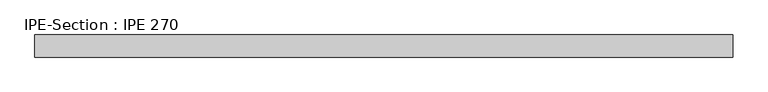
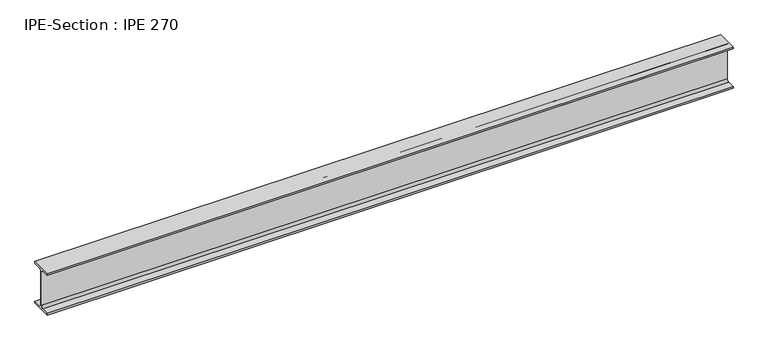
"""IFC4 building model written with IfcOpenShell, lengths in millimetres: beam geometry, IPE-Section : IPE 270."""

from ifc_helpers import new_model, si_unit, point, frame, frame_2d, origin, place, context, project, spatial, polyline, circle_curve, trimmed, segment, composite_curve, outline, extrude, source, transform, mapped, element, save


def ipe_section_ipe_270_ddd0ee42(model_context):
    return source(origin(), model_context, "Body", "SweptSolid", [
        extrude(outline(composite_curve([segment(polyline([(67.5, -124.8), (67.5, -135.0), (-67.5, -135.0), (-67.5, -124.8), (-18.3, -124.8)]), True, "CONTINUOUS"), segment(trimmed(circle_curve(frame_2d((-18.3, -109.8)), 15.0), [point((-18.3, -124.8))], [point((-3.3, -109.8))], True, "CARTESIAN"), True, "CONTINUOUS"), segment(polyline([(-3.3, -109.8), (-3.3, 109.8)]), True, "CONTINUOUS"), segment(trimmed(circle_curve(frame_2d((-18.3, 109.8)), 15.0), [point((-3.3, 109.8))], [point((-18.3, 124.8))], True, "CARTESIAN"), True, "CONTINUOUS"), segment(polyline([(-18.3, 124.8), (-67.5, 124.8), (-67.5, 135.0), (67.5, 135.0), (67.5, 124.8), (18.3, 124.8)]), True, "CONTINUOUS"), segment(trimmed(circle_curve(frame_2d((18.3, 109.8)), 15.0), [point((18.3, 124.8))], [point((3.3, 109.8))], True, "CARTESIAN"), True, "CONTINUOUS"), segment(polyline([(3.3, 109.8), (3.3, -109.8)]), True, "CONTINUOUS"), segment(trimmed(circle_curve(frame_2d((18.3, -109.8)), 15.0), [point((3.3, -109.8))], [point((18.3, -124.8))], True, "CARTESIAN"), True, "CONTINUOUS"), segment(polyline([(18.3, -124.8), (67.5, -124.8)]), True, "CONTINUOUS")], self_intersect=False)), frame((-2130.6293231, 0.0, 0.0), z_axis=(1.0, 0.0, 0.0), x_axis=(0.0, 1.0, 0.0)), (0.0, 0.0, 1.0), 4261.2586462),
    ])


if __name__ == "__main__":
    model = new_model("IFC4")
    model_context = context("Model", 3, world=origin())
    ifc_project = project(units=[si_unit("LENGTHUNIT", "METRE", prefix="MILLI")], contexts=[model_context])
    site = spatial("IfcSite", under=ifc_project)
    building = spatial("IfcBuilding", under=site)
    placement = place(None, origin())
    ipe_section_ipe_270_shape = ipe_section_ipe_270_ddd0ee42(model_context)
    element("IfcBeam", 1, ObjectType="IPE-Section : IPE 270", at=placement, inside=building, context=model_context, shape_type="MappedRepresentation", body=[
        mapped(ipe_section_ipe_270_shape, transform((0.0, 0.0, 0.0), x_axis=(1.0, 0.0, 0.0), y_axis=(0.0, 1.0, 0.0), z_axis=(0.0, 0.0, 1.0))),
    ])
    save(model, "model.ifc")
